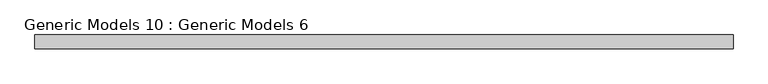
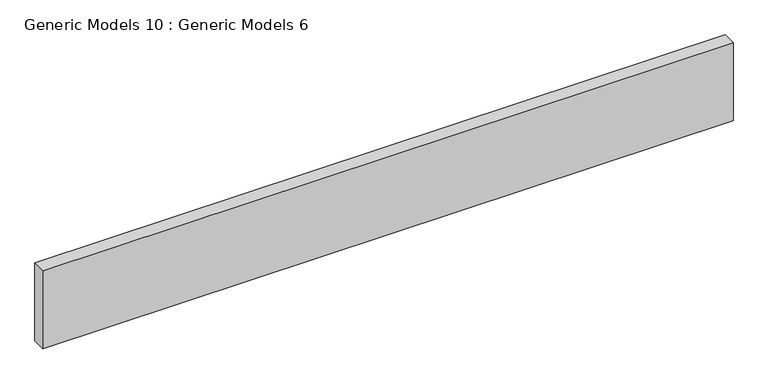
"""IFC4 building model written with IfcOpenShell, lengths in millimetres: proxy geometry, Generic Models 10 : Generic Models 6."""

from ifc_helpers import new_model, si_unit, frame, origin, place, context, project, spatial, polyline, outline, extrude, source, transform, mapped, element, save


def generic_models_10_generic_models_6_82135a5b(model_context):
    return source(origin(), model_context, "Body", "SweptSolid", [
        extrude(outline(polyline([(-12495.783103, -38752.5327609), (-12495.783103, -38727.1327609), (-11215.8481586, -38727.1327609), (-11215.8481586, -38752.5327609), (-12495.783103, -38752.5327609)])), frame((0.0, 0.0, 31648.4), z_axis=(0.0, 0.0, 1.0), x_axis=(1.0, 0.0, 0.0)), (0.0, 0.0, 1.0), 152.4),
    ])


if __name__ == "__main__":
    model = new_model("IFC4")
    model_context = context("Model", 3, world=origin())
    ifc_project = project(units=[si_unit("LENGTHUNIT", "METRE", prefix="MILLI")], contexts=[model_context])
    site = spatial("IfcSite", under=ifc_project)
    building = spatial("IfcBuilding", under=site)
    placement = place(None, origin())
    generic_models_10_generic_models_6_shape = generic_models_10_generic_models_6_82135a5b(model_context)
    element("IfcBuildingElementProxy", 1, Name="Generic Models 10 : Generic Models 6", ObjectType="Generic Models 10 : Generic Models 6", at=placement, inside=building, context=model_context, shape_type="MappedRepresentation", body=[
        mapped(generic_models_10_generic_models_6_shape, transform((0.0, 0.0, 0.0), x_axis=(1.0, 0.0, 0.0), y_axis=(0.0, 1.0, 0.0), z_axis=(0.0, 0.0, 1.0))),
    ])
    save(model, "model.ifc")
